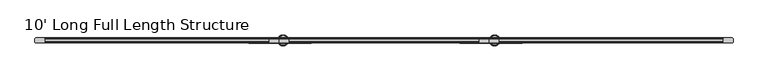
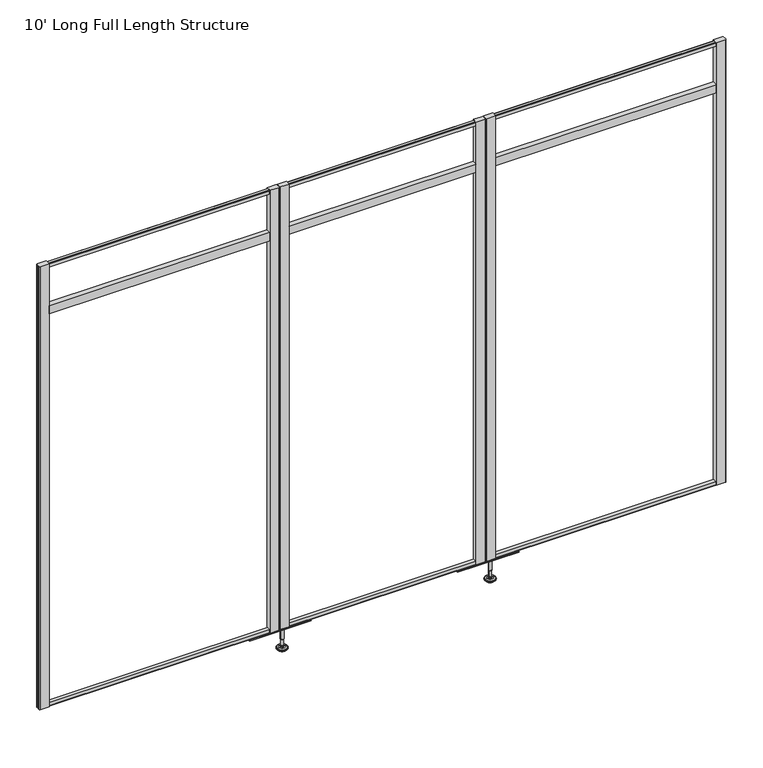
"""IFC4 building model written with IfcOpenShell, lengths in millimetres: furniture geometry, 10' Long Full Length Structure."""

from ifc_helpers import new_model, si_unit, frame, origin, place, context, project, spatial, polyline, circle_curve, outline, extrude, source, transform, mapped, element, save
from ifc_brep_helpers import plane_surface, cylinder_surface, revolved_surface, advanced_brep


def furniture_10_long_full_length_structure_ec89630f(model_context):
    return source(origin(), model_context, "Body", "SolidModel", [
        advanced_brep(
        [(1086.6588665, 0.0, 101.6), (1095.6367879, 0.0, 101.6), (1077.6809451, 0.0, 101.6), (1072.5546265, 0.0, 0.0206943), (1100.7631064, 0.0, 0.0206943), (1086.6588665, 0.0, 0.0206943), (1067.6765948, 0.0, 1.4194474), (1105.6411381, 0.0, 1.4194474), (1063.9146798, 0.0, 4.7394056), (1109.4030532, 0.0, 4.7394056), (1062.7972301, 0.0, 7.5051905), (1110.5205028, 0.0, 7.5051905), (1062.7972301, 0.0, 8.3065967), (1110.5205028, 0.0, 8.3065967), (1063.6396333, 0.0, 9.8469348), (1109.6780996, 0.0, 9.8469348), (1064.739776, 0.0, 10.8375077), (1108.577957, 0.0, 10.8375077), (1072.0434712, 0.0, 12.7338946), (1101.2742617, 0.0, 12.7338946), (1079.4616226, 0.0, 13.3828987), (1093.8561104, 0.0, 13.3828987), (1079.4616226, 0.0, 14.1772758), (1093.8561104, 0.0, 14.1772758), (1081.8584154, 0.0, 14.1772758), (1091.4593175, 0.0, 14.1772758), (1081.8584154, 0.0, 18.8098403), (1091.4593175, 0.0, 18.8098403), (1080.8425627, 0.0, 19.8256929), (1092.4751702, 0.0, 19.8256929), (1080.8425627, 0.0, 48.3056352), (1092.4751702, 0.0, 48.3056352), (1079.6190349, 0.0, 49.9293116), (1093.6986981, 0.0, 49.9293116), (1079.6190349, 0.0, 97.327223), (1093.6986981, 0.0, 97.327223), (1078.7379305, 0.0, 97.6479188), (1094.5798025, 0.0, 97.6479188), (1077.6889415, 0.0, 97.6479188), (1095.6287914, 0.0, 97.6479188), (1076.0239116, 0.0, 98.6092242), (1097.2938213, 0.0, 98.6092242), (1076.0239116, 0.0, 100.6043539), (1097.2938213, 0.0, 100.6043539)],
        [
            (0, 1),
            (1, 2, circle_curve(frame((1086.6588665, 0.0, 101.6), z_axis=(0.0, 0.0, 1.0), x_axis=(1.0, 0.0, 0.0)), 8.9779214)),
            (2, 0),
            (2, 1, circle_curve(frame((1086.6588665, 0.0, 101.6), z_axis=(0.0, 0.0, 1.0), x_axis=(1.0, 0.0, 0.0)), 8.9779214)),
            (3, 4, circle_curve(frame((1086.6588665, 0.0, 0.0206943), z_axis=(0.0, 0.0, -1.0), x_axis=(1.0, 0.0, 0.0)), 14.1042399)),
            (4, 5),
            (5, 3),
            (4, 3, circle_curve(frame((1086.6588665, 0.0, 0.0206943), z_axis=(0.0, 0.0, -1.0), x_axis=(1.0, 0.0, 0.0)), 14.1042399)),
            (6, 7, circle_curve(frame((1086.6588665, 0.0, 1.4194474), z_axis=(0.0, 0.0, -1.0), x_axis=(1.0, 0.0, 0.0)), 18.9822717)),
            (7, 4),
            (3, 6),
            (7, 6, circle_curve(frame((1086.6588665, 0.0, 1.4194474), z_axis=(0.0, 0.0, -1.0), x_axis=(1.0, 0.0, 0.0)), 18.9822717)),
            (8, 9, circle_curve(frame((1086.6588665, 0.0, 4.7394056), z_axis=(0.0, 0.0, -1.0), x_axis=(1.0, 0.0, 0.0)), 22.7441867)),
            (9, 7),
            (6, 8),
            (9, 8, circle_curve(frame((1086.6588665, 0.0, 4.7394056), z_axis=(0.0, 0.0, -1.0), x_axis=(1.0, 0.0, 0.0)), 22.7441867)),
            (10, 11, circle_curve(frame((1086.6588665, 0.0, 7.5051905), z_axis=(0.0, 0.0, -1.0), x_axis=(1.0, 0.0, 0.0)), 23.8616363)),
            (11, 9),
            (8, 10),
            (11, 10, circle_curve(frame((1086.6588665, 0.0, 7.5051905), z_axis=(0.0, 0.0, -1.0), x_axis=(1.0, 0.0, 0.0)), 23.8616363)),
            (12, 13, circle_curve(frame((1086.6588665, 0.0, 8.3065967), z_axis=(0.0, 0.0, -1.0), x_axis=(1.0, 0.0, 0.0)), 23.8616363)),
            (13, 11),
            (10, 12),
            (13, 12, circle_curve(frame((1086.6588665, 0.0, 8.3065967), z_axis=(0.0, 0.0, -1.0), x_axis=(1.0, 0.0, 0.0)), 23.8616363)),
            (14, 15, circle_curve(frame((1086.6588665, 0.0, 9.8469348), z_axis=(0.0, 0.0, -1.0), x_axis=(1.0, 0.0, 0.0)), 23.0192331)),
            (15, 13),
            (12, 14),
            (15, 14, circle_curve(frame((1086.6588665, 0.0, 9.8469348), z_axis=(0.0, 0.0, -1.0), x_axis=(1.0, 0.0, 0.0)), 23.0192331)),
            (16, 17, circle_curve(frame((1086.6588665, 0.0, 10.8375077), z_axis=(0.0, 0.0, -1.0), x_axis=(1.0, 0.0, 0.0)), 21.9190905)),
            (17, 15),
            (14, 16),
            (17, 16, circle_curve(frame((1086.6588665, 0.0, 10.8375077), z_axis=(0.0, 0.0, -1.0), x_axis=(1.0, 0.0, 0.0)), 21.9190905)),
            (18, 19, circle_curve(frame((1086.6588665, 0.0, 12.7338946), z_axis=(0.0, 0.0, -1.0), x_axis=(1.0, 0.0, 0.0)), 14.6153953)),
            (19, 17),
            (16, 18),
            (19, 18, circle_curve(frame((1086.6588665, 0.0, 12.7338946), z_axis=(0.0, 0.0, -1.0), x_axis=(1.0, 0.0, 0.0)), 14.6153953)),
            (20, 21, circle_curve(frame((1086.6588665, 0.0, 13.3828987), z_axis=(0.0, 0.0, -1.0), x_axis=(1.0, 0.0, 0.0)), 7.1972439)),
            (21, 19),
            (18, 20),
            (21, 20, circle_curve(frame((1086.6588665, 0.0, 13.3828987), z_axis=(0.0, 0.0, -1.0), x_axis=(1.0, 0.0, 0.0)), 7.1972439)),
            (22, 23, circle_curve(frame((1086.6588665, 0.0, 14.1772758), z_axis=(0.0, 0.0, -1.0), x_axis=(1.0, 0.0, 0.0)), 7.1972439)),
            (23, 21),
            (20, 22),
            (23, 22, circle_curve(frame((1086.6588665, 0.0, 14.1772758), z_axis=(0.0, 0.0, -1.0), x_axis=(1.0, 0.0, 0.0)), 7.1972439)),
            (24, 25, circle_curve(frame((1086.6588665, 0.0, 14.1772758), z_axis=(0.0, 0.0, -1.0), x_axis=(1.0, 0.0, 0.0)), 4.8004511)),
            (25, 23),
            (22, 24),
            (25, 24, circle_curve(frame((1086.6588665, 0.0, 14.1772758), z_axis=(0.0, 0.0, -1.0), x_axis=(1.0, 0.0, 0.0)), 4.8004511)),
            (26, 27, circle_curve(frame((1086.6588665, 0.0, 18.8098403), z_axis=(0.0, 0.0, -1.0), x_axis=(1.0, 0.0, 0.0)), 4.8004511)),
            (27, 25),
            (24, 26),
            (27, 26, circle_curve(frame((1086.6588665, 0.0, 18.8098403), z_axis=(0.0, 0.0, -1.0), x_axis=(1.0, 0.0, 0.0)), 4.8004511)),
            (28, 29, circle_curve(frame((1086.6588665, 0.0, 19.8256929), z_axis=(0.0, 0.0, -1.0), x_axis=(1.0, 0.0, 0.0)), 5.8163037)),
            (29, 27),
            (26, 28),
            (29, 28, circle_curve(frame((1086.6588665, 0.0, 19.8256929), z_axis=(0.0, 0.0, -1.0), x_axis=(1.0, 0.0, 0.0)), 5.8163037)),
            (30, 31, circle_curve(frame((1086.6588665, 0.0, 48.3056352), z_axis=(0.0, 0.0, -1.0), x_axis=(1.0, 0.0, 0.0)), 5.8163037)),
            (31, 29),
            (28, 30),
            (31, 30, circle_curve(frame((1086.6588665, 0.0, 48.3056352), z_axis=(0.0, 0.0, -1.0), x_axis=(1.0, 0.0, 0.0)), 5.8163037)),
            (32, 33, circle_curve(frame((1086.6588665, 0.0, 49.9293116), z_axis=(0.0, 0.0, -1.0), x_axis=(1.0, 0.0, 0.0)), 7.0398316)),
            (33, 31),
            (30, 32),
            (33, 32, circle_curve(frame((1086.6588665, 0.0, 49.9293116), z_axis=(0.0, 0.0, -1.0), x_axis=(1.0, 0.0, 0.0)), 7.0398316)),
            (34, 35, circle_curve(frame((1086.6588665, 0.0, 97.327223), z_axis=(0.0, 0.0, -1.0), x_axis=(1.0, 0.0, 0.0)), 7.0398316)),
            (35, 33),
            (32, 34),
            (35, 34, circle_curve(frame((1086.6588665, 0.0, 97.327223), z_axis=(0.0, 0.0, -1.0), x_axis=(1.0, 0.0, 0.0)), 7.0398316)),
            (36, 37, circle_curve(frame((1086.6588665, 0.0, 97.6479188), z_axis=(0.0, 0.0, -1.0), x_axis=(1.0, 0.0, 0.0)), 7.920936)),
            (37, 35),
            (34, 36),
            (37, 36, circle_curve(frame((1086.6588665, 0.0, 97.6479188), z_axis=(0.0, 0.0, -1.0), x_axis=(1.0, 0.0, 0.0)), 7.920936)),
            (38, 39, circle_curve(frame((1086.6588665, 0.0, 97.6479188), z_axis=(0.0, 0.0, -1.0), x_axis=(1.0, 0.0, 0.0)), 8.9699249)),
            (39, 37),
            (36, 38),
            (39, 38, circle_curve(frame((1086.6588665, 0.0, 97.6479188), z_axis=(0.0, 0.0, -1.0), x_axis=(1.0, 0.0, 0.0)), 8.9699249)),
            (40, 41, circle_curve(frame((1086.6588665, 0.0, 98.6092242), z_axis=(0.0, 0.0, -1.0), x_axis=(1.0, 0.0, 0.0)), 10.6349548)),
            (41, 39),
            (38, 40),
            (41, 40, circle_curve(frame((1086.6588665, 0.0, 98.6092242), z_axis=(0.0, 0.0, -1.0), x_axis=(1.0, 0.0, 0.0)), 10.6349548)),
            (42, 43, circle_curve(frame((1086.6588665, 0.0, 100.6043539), z_axis=(0.0, 0.0, -1.0), x_axis=(1.0, 0.0, 0.0)), 10.6349548)),
            (43, 41),
            (40, 42),
            (43, 42, circle_curve(frame((1086.6588665, 0.0, 100.6043539), z_axis=(0.0, 0.0, -1.0), x_axis=(1.0, 0.0, 0.0)), 10.6349548)),
            (1, 43),
            (42, 2),
        ],
        [
            plane_surface(frame((1086.6588665, 0.0, 101.6), z_axis=(0.0, 0.0, 1.0), x_axis=(1.0, 0.0, 0.0))),
            plane_surface(frame((1086.6588665, 0.0, 0.0206943), z_axis=(0.0, 0.0, -1.0), x_axis=(1.0, 0.0, 0.0))),
            revolved_surface(polyline([(1100.7631064, 0.0, 0.0206943), (1105.6411381, 0.0, 1.4194474)]), (1086.6588665, 0.0, 101.6), (0.0, 0.0, 1.0)),
            revolved_surface(polyline([(1105.6411381, 0.0, 1.4194474), (1109.4030532, 0.0, 4.7394056)]), (1086.6588665, 0.0, 101.6), (0.0, 0.0, 1.0)),
            revolved_surface(polyline([(1109.4030532, 0.0, 4.7394056), (1110.5205028, 0.0, 7.5051905)]), (1086.6588665, 0.0, 101.6), (0.0, 0.0, 1.0)),
            cylinder_surface(frame((1086.6588665, 0.0, 101.6), z_axis=(0.0, 0.0, 1.0), x_axis=(1.0, 0.0, 0.0)), 23.8616363),
            revolved_surface(polyline([(1110.5205028, 0.0, 8.3065967), (1109.6780996, 0.0, 9.8469348)]), (1086.6588665, 0.0, 101.6), (0.0, 0.0, 1.0)),
            revolved_surface(polyline([(1109.6780996, 0.0, 9.8469348), (1108.577957, 0.0, 10.8375077)]), (1086.6588665, 0.0, 101.6), (0.0, 0.0, 1.0)),
            revolved_surface(polyline([(1108.577957, 0.0, 10.8375077), (1101.2742617, 0.0, 12.7338946)]), (1086.6588665, 0.0, 101.6), (0.0, 0.0, 1.0)),
            revolved_surface(polyline([(1101.2742617, 0.0, 12.7338946), (1093.8561104, 0.0, 13.3828987)]), (1086.6588665, 0.0, 101.6), (0.0, 0.0, 1.0)),
            cylinder_surface(frame((1086.6588665, 0.0, 101.6), z_axis=(0.0, 0.0, 1.0), x_axis=(1.0, 0.0, 0.0)), 7.1972439),
            plane_surface(frame((1086.6588665, 0.0, 14.1772758), z_axis=(0.0, 0.0, 1.0), x_axis=(1.0, 0.0, 0.0))),
            cylinder_surface(frame((1086.6588665, 0.0, 101.6), z_axis=(0.0, 0.0, 1.0), x_axis=(1.0, 0.0, 0.0)), 4.8004511),
            revolved_surface(polyline([(1091.4593175, 0.0, 18.8098403), (1092.4751702, 0.0, 19.8256929)]), (1086.6588665, 0.0, 101.6), (0.0, 0.0, 1.0)),
            cylinder_surface(frame((1086.6588665, 0.0, 101.6), z_axis=(0.0, 0.0, 1.0), x_axis=(1.0, 0.0, 0.0)), 5.8163037),
            revolved_surface(polyline([(1092.4751702, 0.0, 48.3056352), (1093.6986981, 0.0, 49.9293116)]), (1086.6588665, 0.0, 101.6), (0.0, 0.0, 1.0)),
            cylinder_surface(frame((1086.6588665, 0.0, 101.6), z_axis=(0.0, 0.0, 1.0), x_axis=(1.0, 0.0, 0.0)), 7.0398316),
            revolved_surface(polyline([(1093.6986981, 0.0, 97.327223), (1094.5798025, 0.0, 97.6479188)]), (1086.6588665, 0.0, 101.6), (0.0, 0.0, 1.0)),
            plane_surface(frame((1086.6588665, 0.0, 97.6479188), z_axis=(0.0, 0.0, -1.0), x_axis=(1.0, 0.0, 0.0))),
            revolved_surface(polyline([(1095.6287914, 0.0, 97.6479188), (1097.2938213, 0.0, 98.6092242)]), (1086.6588665, 0.0, 101.6), (0.0, 0.0, 1.0)),
            cylinder_surface(frame((1086.6588665, 0.0, 101.6), z_axis=(0.0, 0.0, 1.0), x_axis=(1.0, 0.0, 0.0)), 10.6349548),
            revolved_surface(polyline([(1097.2938213, 0.0, 100.6043539), (1095.6367879, 0.0, 101.6)]), (1086.6588665, 0.0, 101.6), (0.0, 0.0, 1.0)),
        ],
        [
            (0, [[1, 2, 3]]),
            (0, [[-3, 4, -1]]),
            (1, [[5, 6, 7]]),
            (1, [[8, -7, -6]]),
            (2, [[9, 10, -5, 11]]),
            (2, [[12, -11, -8, -10]]),
            (3, [[13, 14, -9, 15]]),
            (3, [[16, -15, -12, -14]]),
            (4, [[17, 18, -13, 19]]),
            (4, [[20, -19, -16, -18]]),
            (5, [[21, 22, -17, 23]]),
            (5, [[24, -23, -20, -22]]),
            (6, [[25, 26, -21, 27]]),
            (6, [[28, -27, -24, -26]]),
            (7, [[29, 30, -25, 31]]),
            (7, [[32, -31, -28, -30]]),
            (8, [[33, 34, -29, 35]]),
            (8, [[36, -35, -32, -34]]),
            (9, [[37, 38, -33, 39]]),
            (9, [[40, -39, -36, -38]]),
            (10, [[41, 42, -37, 43]]),
            (10, [[44, -43, -40, -42]]),
            (11, [[45, 46, -41, 47]]),
            (11, [[48, -47, -44, -46]]),
            (12, [[49, 50, -45, 51]]),
            (12, [[52, -51, -48, -50]]),
            (13, [[53, 54, -49, 55]]),
            (13, [[56, -55, -52, -54]]),
            (14, [[57, 58, -53, 59]]),
            (14, [[60, -59, -56, -58]]),
            (15, [[61, 62, -57, 63]]),
            (15, [[64, -63, -60, -62]]),
            (16, [[65, 66, -61, 67]]),
            (16, [[68, -67, -64, -66]]),
            (17, [[69, 70, -65, 71]]),
            (17, [[72, -71, -68, -70]]),
            (18, [[73, 74, -69, 75]]),
            (18, [[76, -75, -72, -74]]),
            (19, [[77, 78, -73, 79]]),
            (19, [[80, -79, -76, -78]]),
            (20, [[81, 82, -77, 83]]),
            (20, [[84, -83, -80, -82]]),
            (21, [[-2, 85, -81, 86]]),
            (21, [[-4, -86, -84, -85]]),
        ],
    ),
        advanced_brep(
        [(2012.7255716, 0.0, 101.6), (2021.703493, 0.0, 101.6), (2003.7476502, 0.0, 101.6), (2026.8298115, 0.0, 0.0206943), (2012.7255716, 0.0, 0.0206943), (1998.6213317, 0.0, 0.0206943), (2031.7078433, 0.0, 1.4194474), (1993.7432999, 0.0, 1.4194474), (2035.4697583, 0.0, 4.7394056), (1989.9813849, 0.0, 4.7394056), (2036.5872079, 0.0, 7.5051905), (1988.8639353, 0.0, 7.5051905), (2036.5872079, 0.0, 8.3065967), (1988.8639353, 0.0, 8.3065967), (2035.7448047, 0.0, 9.8469348), (1989.7063385, 0.0, 9.8469348), (2034.6446621, 0.0, 10.8375077), (1990.8064811, 0.0, 10.8375077), (2027.3409669, 0.0, 12.7338946), (1998.1101763, 0.0, 12.7338946), (2019.9228155, 0.0, 13.3828987), (2005.5283277, 0.0, 13.3828987), (2019.9228155, 0.0, 14.1772758), (2005.5283277, 0.0, 14.1772758), (2017.5260227, 0.0, 14.1772758), (2007.9251205, 0.0, 14.1772758), (2017.5260227, 0.0, 18.8098403), (2007.9251205, 0.0, 18.8098403), (2018.5418753, 0.0, 19.8256929), (2006.9092679, 0.0, 19.8256929), (2018.5418753, 0.0, 48.3056352), (2006.9092679, 0.0, 48.3056352), (2019.7654032, 0.0, 49.9293116), (2005.68574, 0.0, 49.9293116), (2019.7654032, 0.0, 97.327223), (2005.68574, 0.0, 97.327223), (2020.6465076, 0.0, 97.6479188), (2004.8046356, 0.0, 97.6479188), (2021.6954965, 0.0, 97.6479188), (2003.7556467, 0.0, 97.6479188), (2023.3605264, 0.0, 98.6092242), (2002.0906168, 0.0, 98.6092242), (2023.3605264, 0.0, 100.6043539), (2002.0906168, 0.0, 100.6043539)],
        [
            (0, 1),
            (1, 2, circle_curve(frame((2012.7255716, 0.0, 101.6), z_axis=(0.0, 0.0, 1.0), x_axis=(-1.0, 0.0, 0.0)), 8.9779214)),
            (2, 0),
            (2, 1, circle_curve(frame((2012.7255716, 0.0, 101.6), z_axis=(0.0, 0.0, 1.0), x_axis=(-1.0, 0.0, 0.0)), 8.9779214)),
            (3, 4),
            (4, 5),
            (5, 3, circle_curve(frame((2012.7255716, 0.0, 0.0206943), z_axis=(0.0, 0.0, -1.0), x_axis=(-1.0, 0.0, 0.0)), 14.1042399)),
            (3, 5, circle_curve(frame((2012.7255716, 0.0, 0.0206943), z_axis=(0.0, 0.0, -1.0), x_axis=(-1.0, 0.0, 0.0)), 14.1042399)),
            (6, 3),
            (5, 7),
            (7, 6, circle_curve(frame((2012.7255716, 0.0, 1.4194474), z_axis=(0.0, 0.0, -1.0), x_axis=(-1.0, 0.0, 0.0)), 18.9822717)),
            (6, 7, circle_curve(frame((2012.7255716, 0.0, 1.4194474), z_axis=(0.0, 0.0, -1.0), x_axis=(-1.0, 0.0, 0.0)), 18.9822717)),
            (8, 6),
            (7, 9),
            (9, 8, circle_curve(frame((2012.7255716, 0.0, 4.7394056), z_axis=(0.0, 0.0, -1.0), x_axis=(-1.0, 0.0, 0.0)), 22.7441867)),
            (8, 9, circle_curve(frame((2012.7255716, 0.0, 4.7394056), z_axis=(0.0, 0.0, -1.0), x_axis=(-1.0, 0.0, 0.0)), 22.7441867)),
            (10, 8),
            (9, 11),
            (11, 10, circle_curve(frame((2012.7255716, 0.0, 7.5051905), z_axis=(0.0, 0.0, -1.0), x_axis=(-1.0, 0.0, 0.0)), 23.8616363)),
            (10, 11, circle_curve(frame((2012.7255716, 0.0, 7.5051905), z_axis=(0.0, 0.0, -1.0), x_axis=(-1.0, 0.0, 0.0)), 23.8616363)),
            (12, 10),
            (11, 13),
            (13, 12, circle_curve(frame((2012.7255716, 0.0, 8.3065967), z_axis=(0.0, 0.0, -1.0), x_axis=(-1.0, 0.0, 0.0)), 23.8616363)),
            (12, 13, circle_curve(frame((2012.7255716, 0.0, 8.3065967), z_axis=(0.0, 0.0, -1.0), x_axis=(-1.0, 0.0, 0.0)), 23.8616363)),
            (14, 12),
            (13, 15),
            (15, 14, circle_curve(frame((2012.7255716, 0.0, 9.8469348), z_axis=(0.0, 0.0, -1.0), x_axis=(-1.0, 0.0, 0.0)), 23.0192331)),
            (14, 15, circle_curve(frame((2012.7255716, 0.0, 9.8469348), z_axis=(0.0, 0.0, -1.0), x_axis=(-1.0, 0.0, 0.0)), 23.0192331)),
            (16, 14),
            (15, 17),
            (17, 16, circle_curve(frame((2012.7255716, 0.0, 10.8375077), z_axis=(0.0, 0.0, -1.0), x_axis=(-1.0, 0.0, 0.0)), 21.9190905)),
            (16, 17, circle_curve(frame((2012.7255716, 0.0, 10.8375077), z_axis=(0.0, 0.0, -1.0), x_axis=(-1.0, 0.0, 0.0)), 21.9190905)),
            (18, 16),
            (17, 19),
            (19, 18, circle_curve(frame((2012.7255716, 0.0, 12.7338946), z_axis=(0.0, 0.0, -1.0), x_axis=(-1.0, 0.0, 0.0)), 14.6153953)),
            (18, 19, circle_curve(frame((2012.7255716, 0.0, 12.7338946), z_axis=(0.0, 0.0, -1.0), x_axis=(-1.0, 0.0, 0.0)), 14.6153953)),
            (20, 18),
            (19, 21),
            (21, 20, circle_curve(frame((2012.7255716, 0.0, 13.3828987), z_axis=(0.0, 0.0, -1.0), x_axis=(-1.0, 0.0, 0.0)), 7.1972439)),
            (20, 21, circle_curve(frame((2012.7255716, 0.0, 13.3828987), z_axis=(0.0, 0.0, -1.0), x_axis=(-1.0, 0.0, 0.0)), 7.1972439)),
            (22, 20),
            (21, 23),
            (23, 22, circle_curve(frame((2012.7255716, 0.0, 14.1772758), z_axis=(0.0, 0.0, -1.0), x_axis=(-1.0, 0.0, 0.0)), 7.1972439)),
            (22, 23, circle_curve(frame((2012.7255716, 0.0, 14.1772758), z_axis=(0.0, 0.0, -1.0), x_axis=(-1.0, 0.0, 0.0)), 7.1972439)),
            (24, 22),
            (23, 25),
            (25, 24, circle_curve(frame((2012.7255716, 0.0, 14.1772758), z_axis=(0.0, 0.0, -1.0), x_axis=(-1.0, 0.0, 0.0)), 4.8004511)),
            (24, 25, circle_curve(frame((2012.7255716, 0.0, 14.1772758), z_axis=(0.0, 0.0, -1.0), x_axis=(-1.0, 0.0, 0.0)), 4.8004511)),
            (26, 24),
            (25, 27),
            (27, 26, circle_curve(frame((2012.7255716, 0.0, 18.8098403), z_axis=(0.0, 0.0, -1.0), x_axis=(-1.0, 0.0, 0.0)), 4.8004511)),
            (26, 27, circle_curve(frame((2012.7255716, 0.0, 18.8098403), z_axis=(0.0, 0.0, -1.0), x_axis=(-1.0, 0.0, 0.0)), 4.8004511)),
            (28, 26),
            (27, 29),
            (29, 28, circle_curve(frame((2012.7255716, 0.0, 19.8256929), z_axis=(0.0, 0.0, -1.0), x_axis=(-1.0, 0.0, 0.0)), 5.8163037)),
            (28, 29, circle_curve(frame((2012.7255716, 0.0, 19.8256929), z_axis=(0.0, 0.0, -1.0), x_axis=(-1.0, 0.0, 0.0)), 5.8163037)),
            (30, 28),
            (29, 31),
            (31, 30, circle_curve(frame((2012.7255716, 0.0, 48.3056352), z_axis=(0.0, 0.0, -1.0), x_axis=(-1.0, 0.0, 0.0)), 5.8163037)),
            (30, 31, circle_curve(frame((2012.7255716, 0.0, 48.3056352), z_axis=(0.0, 0.0, -1.0), x_axis=(-1.0, 0.0, 0.0)), 5.8163037)),
            (32, 30),
            (31, 33),
            (33, 32, circle_curve(frame((2012.7255716, 0.0, 49.9293116), z_axis=(0.0, 0.0, -1.0), x_axis=(-1.0, 0.0, 0.0)), 7.0398316)),
            (32, 33, circle_curve(frame((2012.7255716, 0.0, 49.9293116), z_axis=(0.0, 0.0, -1.0), x_axis=(-1.0, 0.0, 0.0)), 7.0398316)),
            (34, 32),
            (33, 35),
            (35, 34, circle_curve(frame((2012.7255716, 0.0, 97.327223), z_axis=(0.0, 0.0, -1.0), x_axis=(-1.0, 0.0, 0.0)), 7.0398316)),
            (34, 35, circle_curve(frame((2012.7255716, 0.0, 97.327223), z_axis=(0.0, 0.0, -1.0), x_axis=(-1.0, 0.0, 0.0)), 7.0398316)),
            (36, 34),
            (35, 37),
            (37, 36, circle_curve(frame((2012.7255716, 0.0, 97.6479188), z_axis=(0.0, 0.0, -1.0), x_axis=(-1.0, 0.0, 0.0)), 7.920936)),
            (36, 37, circle_curve(frame((2012.7255716, 0.0, 97.6479188), z_axis=(0.0, 0.0, -1.0), x_axis=(-1.0, 0.0, 0.0)), 7.920936)),
            (38, 36),
            (37, 39),
            (39, 38, circle_curve(frame((2012.7255716, 0.0, 97.6479188), z_axis=(0.0, 0.0, -1.0), x_axis=(-1.0, 0.0, 0.0)), 8.9699249)),
            (38, 39, circle_curve(frame((2012.7255716, 0.0, 97.6479188), z_axis=(0.0, 0.0, -1.0), x_axis=(-1.0, 0.0, 0.0)), 8.9699249)),
            (40, 38),
            (39, 41),
            (41, 40, circle_curve(frame((2012.7255716, 0.0, 98.6092242), z_axis=(0.0, 0.0, -1.0), x_axis=(-1.0, 0.0, 0.0)), 10.6349548)),
            (40, 41, circle_curve(frame((2012.7255716, 0.0, 98.6092242), z_axis=(0.0, 0.0, -1.0), x_axis=(-1.0, 0.0, 0.0)), 10.6349548)),
            (42, 40),
            (41, 43),
            (43, 42, circle_curve(frame((2012.7255716, 0.0, 100.6043539), z_axis=(0.0, 0.0, -1.0), x_axis=(-1.0, 0.0, 0.0)), 10.6349548)),
            (42, 43, circle_curve(frame((2012.7255716, 0.0, 100.6043539), z_axis=(0.0, 0.0, -1.0), x_axis=(-1.0, 0.0, 0.0)), 10.6349548)),
            (1, 42),
            (43, 2),
        ],
        [
            plane_surface(frame((2012.7255716, 0.0, 101.6), z_axis=(0.0, 0.0, 1.0), x_axis=(-1.0, 0.0, 0.0))),
            plane_surface(frame((2012.7255716, 0.0, 0.0206943), z_axis=(0.0, 0.0, -1.0), x_axis=(-1.0, 0.0, 0.0))),
            revolved_surface(polyline([(1998.6213317, 0.0, 0.0206943), (1993.7432999, 0.0, 1.4194474)]), (2012.7255716, 0.0, 101.6), (0.0, 0.0, 1.0)),
            revolved_surface(polyline([(1993.7432999, 0.0, 1.4194474), (1989.9813849, 0.0, 4.7394056)]), (2012.7255716, 0.0, 101.6), (0.0, 0.0, 1.0)),
            revolved_surface(polyline([(1989.9813849, 0.0, 4.7394056), (1988.8639353, 0.0, 7.5051905)]), (2012.7255716, 0.0, 101.6), (0.0, 0.0, 1.0)),
            cylinder_surface(frame((2012.7255716, 0.0, 101.6), z_axis=(0.0, 0.0, 1.0), x_axis=(-1.0, 0.0, 0.0)), 23.8616363),
            revolved_surface(polyline([(1988.8639353, 0.0, 8.3065967), (1989.7063385, 0.0, 9.8469348)]), (2012.7255716, 0.0, 101.6), (0.0, 0.0, 1.0)),
            revolved_surface(polyline([(1989.7063385, 0.0, 9.8469348), (1990.8064811, 0.0, 10.8375077)]), (2012.7255716, 0.0, 101.6), (0.0, 0.0, 1.0)),
            revolved_surface(polyline([(1990.8064811, 0.0, 10.8375077), (1998.1101763, 0.0, 12.7338946)]), (2012.7255716, 0.0, 101.6), (0.0, 0.0, 1.0)),
            revolved_surface(polyline([(1998.1101763, 0.0, 12.7338946), (2005.5283277, 0.0, 13.3828987)]), (2012.7255716, 0.0, 101.6), (0.0, 0.0, 1.0)),
            cylinder_surface(frame((2012.7255716, 0.0, 101.6), z_axis=(0.0, 0.0, 1.0), x_axis=(-1.0, 0.0, 0.0)), 7.1972439),
            plane_surface(frame((2012.7255716, 0.0, 14.1772758), z_axis=(0.0, 0.0, 1.0), x_axis=(-1.0, 0.0, 0.0))),
            cylinder_surface(frame((2012.7255716, 0.0, 101.6), z_axis=(0.0, 0.0, 1.0), x_axis=(-1.0, 0.0, 0.0)), 4.8004511),
            revolved_surface(polyline([(2007.9251205, 0.0, 18.8098403), (2006.9092679, 0.0, 19.8256929)]), (2012.7255716, 0.0, 101.6), (0.0, 0.0, 1.0)),
            cylinder_surface(frame((2012.7255716, 0.0, 101.6), z_axis=(0.0, 0.0, 1.0), x_axis=(-1.0, 0.0, 0.0)), 5.8163037),
            revolved_surface(polyline([(2006.9092679, 0.0, 48.3056352), (2005.68574, 0.0, 49.9293116)]), (2012.7255716, 0.0, 101.6), (0.0, 0.0, 1.0)),
            cylinder_surface(frame((2012.7255716, 0.0, 101.6), z_axis=(0.0, 0.0, 1.0), x_axis=(-1.0, 0.0, 0.0)), 7.0398316),
            revolved_surface(polyline([(2005.68574, 0.0, 97.327223), (2004.8046356, 0.0, 97.6479188)]), (2012.7255716, 0.0, 101.6), (0.0, 0.0, 1.0)),
            plane_surface(frame((2012.7255716, 0.0, 97.6479188), z_axis=(0.0, 0.0, -1.0), x_axis=(-1.0, 0.0, 0.0))),
            revolved_surface(polyline([(2003.7556467, 0.0, 97.6479188), (2002.0906168, 0.0, 98.6092242)]), (2012.7255716, 0.0, 101.6), (0.0, 0.0, 1.0)),
            cylinder_surface(frame((2012.7255716, 0.0, 101.6), z_axis=(0.0, 0.0, 1.0), x_axis=(-1.0, 0.0, 0.0)), 10.6349548),
            revolved_surface(polyline([(2002.0906168, 0.0, 100.6043539), (2003.7476502, 0.0, 101.6)]), (2012.7255716, 0.0, 101.6), (0.0, 0.0, 1.0)),
        ],
        [
            (0, [[1, 2, 3]]),
            (0, [[-3, 4, -1]]),
            (1, [[5, 6, 7]]),
            (1, [[-6, -5, 8]]),
            (2, [[9, -7, 10, 11]]),
            (2, [[-10, -8, -9, 12]]),
            (3, [[13, -11, 14, 15]]),
            (3, [[-14, -12, -13, 16]]),
            (4, [[17, -15, 18, 19]]),
            (4, [[-18, -16, -17, 20]]),
            (5, [[21, -19, 22, 23]]),
            (5, [[-22, -20, -21, 24]]),
            (6, [[25, -23, 26, 27]]),
            (6, [[-26, -24, -25, 28]]),
            (7, [[29, -27, 30, 31]]),
            (7, [[-30, -28, -29, 32]]),
            (8, [[33, -31, 34, 35]]),
            (8, [[-34, -32, -33, 36]]),
            (9, [[37, -35, 38, 39]]),
            (9, [[-38, -36, -37, 40]]),
            (10, [[41, -39, 42, 43]]),
            (10, [[-42, -40, -41, 44]]),
            (11, [[45, -43, 46, 47]]),
            (11, [[-46, -44, -45, 48]]),
            (12, [[49, -47, 50, 51]]),
            (12, [[-50, -48, -49, 52]]),
            (13, [[53, -51, 54, 55]]),
            (13, [[-54, -52, -53, 56]]),
            (14, [[57, -55, 58, 59]]),
            (14, [[-58, -56, -57, 60]]),
            (15, [[61, -59, 62, 63]]),
            (15, [[-62, -60, -61, 64]]),
            (16, [[65, -63, 66, 67]]),
            (16, [[-66, -64, -65, 68]]),
            (17, [[69, -67, 70, 71]]),
            (17, [[-70, -68, -69, 72]]),
            (18, [[73, -71, 74, 75]]),
            (18, [[-74, -72, -73, 76]]),
            (19, [[77, -75, 78, 79]]),
            (19, [[-78, -76, -77, 80]]),
            (20, [[81, -79, 82, 83]]),
            (20, [[-82, -80, -81, 84]]),
            (21, [[85, -83, 86, -2]]),
            (21, [[-86, -84, -85, -4]]),
        ],
    ),
        extrude(outline(polyline([(1026.0191837, 10.5559997), (1064.7941788, 10.5559997), (1067.0740905, 9.6109027), (1068.0192, 7.3310001), (1068.0192, -7.3310001), (1067.0740905, -9.6109027), (1064.7941788, -10.5559997), (1026.0191837, -10.5559997), (1026.0191837, 10.5559997)])), frame((0.0, 0.0, 103.4818084), z_axis=(0.0, 0.0, 1.0), x_axis=(1.0, 0.0, 0.0)), (0.0, 0.0, 1.0), 2081.3499916),
        extrude(outline(polyline([(1112.3791837, 10.5559997), (1112.3791837, -10.5559997), (1073.6041886, -10.5559997), (1071.3242768, -9.6109027), (1070.3791674, -7.3310001), (1070.3791674, 7.3310001), (1071.3242768, 9.6109027), (1073.6041886, 10.5559997), (1112.3791837, 10.5559997)])), frame((0.0, 0.0, 103.4818084), z_axis=(0.0, 0.0, 1.0), x_axis=(1.0, 0.0, 0.0)), (0.0, 0.0, 1.0), 2081.3499916),
        extrude(outline(polyline([(2030.6168163, 10.5559997), (2030.6168163, -10.5559997), (1991.8418212, -10.5559997), (1989.5619095, -9.6109027), (1988.6168, -7.3310001), (1988.6168, 7.3310001), (1989.5619095, 9.6109027), (1991.8418212, 10.5559997), (2030.6168163, 10.5559997)])), frame((0.0, 0.0, 103.4818084), z_axis=(0.0, 0.0, 1.0), x_axis=(1.0, 0.0, 0.0)), (0.0, 0.0, 1.0), 2081.3499916),
        extrude(outline(polyline([(1944.2568163, 10.5559997), (1983.0318114, 10.5559997), (1985.3117232, 9.6109027), (1986.2568326, 7.3310001), (1986.2568326, -7.3310001), (1985.3117232, -9.6109027), (1983.0318114, -10.5559997), (1944.2568163, -10.5559997), (1944.2568163, 10.5559997)])), frame((0.0, 0.0, 103.4818084), z_axis=(0.0, 0.0, 1.0), x_axis=(1.0, 0.0, 0.0)), (0.0, 0.0, 1.0), 2081.3499916),
        extrude(outline(polyline([(1209.3067, 12.2069997), (1209.3067, -12.2069997), (935.6742565, -12.2069997), (935.6742565, 12.2069997), (1209.3067, 12.2069997)])), frame((0.0, 0.0, 97.327223), z_axis=(0.0, 0.0, 1.0), x_axis=(1.0, 0.0, 0.0)), (0.0, 0.0, 1.0), 3.8128244),
        extrude(outline(polyline([(1859.3327945, 12.2069997), (2132.9652381, 12.2069997), (2132.9652381, -12.2069997), (1859.3327945, -12.2069997), (1859.3327945, 12.2069997)])), frame((0.0, 0.0, 97.327223), z_axis=(0.0, 0.0, 1.0), x_axis=(1.0, 0.0, 0.0)), (0.0, 0.0, 1.0), 3.8128244),
        extrude(outline(polyline([(3013.329, 10.5559997), (3013.329, -10.5559997), (2030.6168163, -10.5559997), (2030.6168163, 10.5559997), (3013.329, 10.5559997)])), frame((0.0, 0.0, 1949.2990402), z_axis=(0.0, 0.0, 1.0), x_axis=(1.0, 0.0, 0.0)), (0.0, 0.0, 1.0), 38.1),
        extrude(outline(polyline([(43.1799273, -10.5559997), (43.1799273, 10.5559997), (1026.0191837, 10.5559997), (1026.0191837, -10.5559997), (43.1799273, -10.5559997)])), frame((0.0, 0.0, 1949.2990402), z_axis=(0.0, 0.0, 1.0), x_axis=(1.0, 0.0, 0.0)), (0.0, 0.0, 1.0), 38.1),
        extrude(outline(polyline([(1112.3791837, -10.5559997), (1112.3791837, 10.5559997), (1944.2568163, 10.5559997), (1944.2568163, -10.5559997), (1112.3791837, -10.5559997)])), frame((0.0, 0.0, 1949.2990402), z_axis=(0.0, 0.0, 1.0), x_axis=(1.0, 0.0, 0.0)), (0.0, 0.0, 1.0), 38.1),
        extrude(outline(polyline([(-8.9429997, 2166.849753), (-8.9429997, 2180.8497706), (-8.0643203, 2182.9710074), (-5.943, 2183.8497328), (5.943, 2183.8497328), (8.0643203, 2182.9710074), (8.9429997, 2180.8497706), (8.9429997, 2166.849753), (-8.9429997, 2166.849753)])), frame((43.1799273, 0.0, 0.0), z_axis=(1.0, 0.0, 0.0), x_axis=(0.0, 1.0, 0.0)), (0.0, 0.0, 1.0), 2970.1490727),
        extrude(outline(polyline([(43.1799273, 10.5559997), (43.1799273, -10.5559997), (3.2032054, -10.5559997), (0.9232937, -9.6109027), (-0.0218157, -7.3310001), (-0.0218157, 7.3310001), (0.9232937, 9.6109027), (3.2032054, 10.5559997), (43.1799273, 10.5559997)])), frame((0.0, 0.0, 101.6), z_axis=(0.0, 0.0, 1.0), x_axis=(1.0, 0.0, 0.0)), (0.0, 0.0, 1.0), 2083.2318),
        extrude(outline(polyline([(3013.329, 10.5559997), (3053.5264304, 10.5559997), (3055.8063784, 9.6109027), (3056.636, 7.6093626), (3056.636, -7.6093626), (3055.8063784, -9.6109027), (3053.5264304, -10.5559997), (3013.329, -10.5559997), (3013.329, 10.5559997)])), frame((0.0, 0.0, 101.6), z_axis=(0.0, 0.0, 1.0), x_axis=(1.0, 0.0, 0.0)), (0.0, 0.0, 1.0), 2083.2318),
        extrude(outline(polyline([(-8.9429997, 118.1400272), (8.9429997, 118.1400272), (8.9429997, 104.1400097), (8.0643203, 102.0187729), (5.943, 101.1400475), (-5.943, 101.1400475), (-8.0643203, 102.0187729), (-8.9429997, 104.1400097), (-8.9429997, 118.1400272)])), frame((43.1799273, 0.0, 0.0), z_axis=(1.0, 0.0, 0.0), x_axis=(0.0, 1.0, 0.0)), (0.0, 0.0, 1.0), 2970.1490727),
    ])


if __name__ == "__main__":
    model = new_model("IFC4")
    model_context = context("Model", 3, world=origin())
    ifc_project = project(units=[si_unit("LENGTHUNIT", "METRE", prefix="MILLI")], contexts=[model_context])
    site = spatial("IfcSite", under=ifc_project)
    building = spatial("IfcBuilding", under=site)
    placement = place(None, origin())
    furniture_10_long_full_length_structure_shape = furniture_10_long_full_length_structure_ec89630f(model_context)
    element("IfcFurniture", 1, ObjectType="10' Long Full Length Structure", at=placement, inside=building, context=model_context, shape_type="MappedRepresentation", body=[
        mapped(furniture_10_long_full_length_structure_shape, transform((0.0, 0.0, 0.0), x_axis=(1.0, 0.0, 0.0), y_axis=(0.0, 1.0, 0.0), z_axis=(0.0, 0.0, 1.0))),
    ])
    save(model, "model.ifc")
